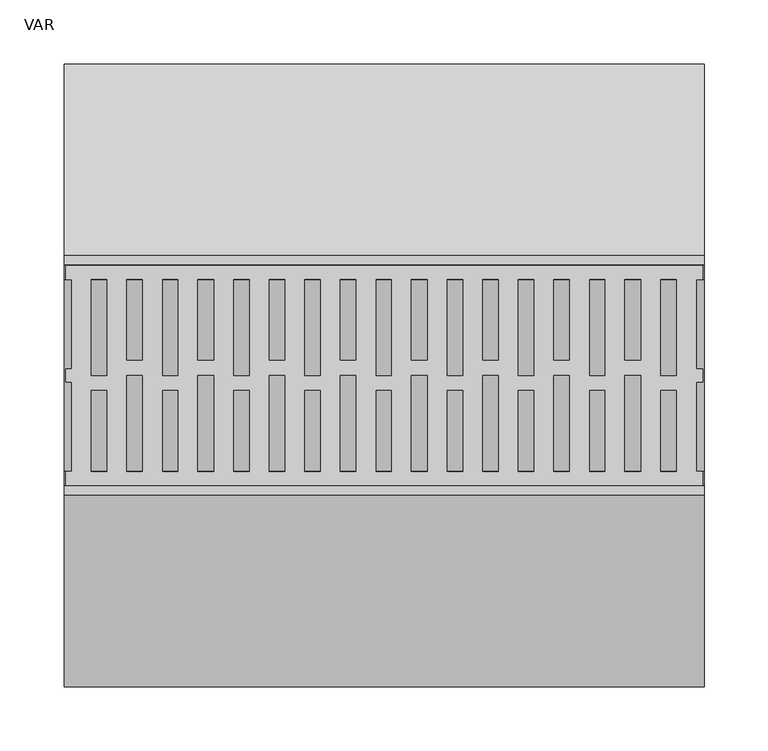
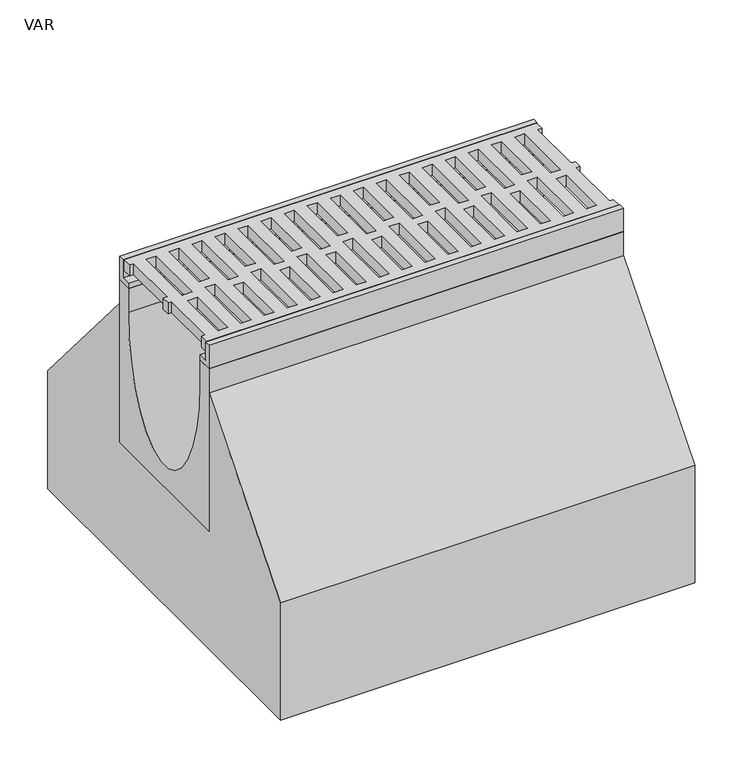
"""IFC4 building model written with IfcOpenShell, lengths in millimetres: flow terminal geometry, VAR."""

from ifc_helpers import new_model, si_unit, point, frame, origin, place, context, project, spatial, polyline, ellipse_curve, trimmed, outline, extrude, source, transform, mapped, element, save
from ifc_brep_helpers import plane_surface, extruded_surface, advanced_brep


def var_1d00fcba(model_context):
    return source(origin(), model_context, "Body", "SolidModel", [
        extrude(outline(polyline([(499.0, 75.0), (493.7871589, 75.0), (493.7871589, 5.0), (499.0, 5.0), (499.0, -5.0), (493.9604202, -5.0), (493.9604202, -75.0), (499.0, -75.0), (499.0, -86.0), (1.5, -86.0), (1.5, -75.0), (6.0847381, -75.0), (6.0847381, -5.0), (1.5, -5.0), (1.5, 5.0), (6.0847381, 5.0), (6.0847381, 75.0), (1.5, 75.0), (1.5, 86.0), (499.0, 86.0), (499.0, 75.0)]), holes=[polyline([(478.2, 75.0), (466.2429028, 75.0), (466.2429028, 0.0), (478.2, 0.0), (478.2, 75.0)]), polyline([(422.6, 75.0), (410.6429028, 75.0), (410.6429028, 0.0), (422.6, 0.0), (422.6, 75.0)]), polyline([(367.0, 75.0), (355.0429028, 75.0), (355.0429028, 0.0), (367.0, 0.0), (367.0, 75.0)]), polyline([(311.4, 75.0), (299.4429028, 75.0), (299.4429028, 0.0), (311.4, 0.0), (311.4, 75.0)]), polyline([(255.8, 75.0), (243.8429028, 75.0), (243.8429028, 0.0), (255.8, 0.0), (255.8, 75.0)]), polyline([(200.2, 75.0), (188.2429028, 75.0), (188.2429028, 0.0), (200.2, 0.0), (200.2, 75.0)]), polyline([(144.6, 75.0), (132.6429028, 75.0), (132.6429028, 0.0), (144.6, 0.0), (144.6, 75.0)]), polyline([(89.0, 75.0), (77.0429028, 75.0), (77.0429028, 0.0), (89.0, 0.0), (89.0, 75.0)]), polyline([(49.0305238, -75.0), (61.2, -75.0), (61.2, 0.0), (49.0305238, 0.0), (49.0305238, -75.0)]), polyline([(104.6305238, -75.0), (116.8, -75.0), (116.8, 0.0), (104.6305238, 0.0), (104.6305238, -75.0)]), polyline([(160.2305238, -75.0), (172.4, -75.0), (172.4, 0.0), (160.2305238, 0.0), (160.2305238, -75.0)]), polyline([(215.8305238, -75.0), (228.0, -75.0), (228.0, 0.0), (215.8305238, 0.0), (215.8305238, -75.0)]), polyline([(271.4305238, -75.0), (283.6, -75.0), (283.6, 0.0), (271.4305238, 0.0), (271.4305238, -75.0)]), polyline([(327.0305238, -75.0), (339.2, -75.0), (339.2, 0.0), (327.0305238, 0.0), (327.0305238, -75.0)]), polyline([(382.6305238, -75.0), (394.8, -75.0), (394.8, 0.0), (382.6305238, 0.0), (382.6305238, -75.0)]), polyline([(438.2305238, -75.0), (450.4, -75.0), (450.4, 0.0), (438.2305238, 0.0), (438.2305238, -75.0)]), polyline([(450.4, 75.0), (438.2305238, 75.0), (438.2305238, 11.948473), (450.4, 11.948473), (450.4, 75.0)]), polyline([(394.8, 75.0), (382.6305238, 75.0), (382.6305238, 11.948473), (394.8, 11.948473), (394.8, 75.0)]), polyline([(339.2, 75.0), (327.0305238, 75.0), (327.0305238, 11.948473), (339.2, 11.948473), (339.2, 75.0)]), polyline([(283.6, 75.0), (271.4305238, 75.0), (271.4305238, 11.948473), (283.6, 11.948473), (283.6, 75.0)]), polyline([(228.0, 75.0), (215.8305238, 75.0), (215.8305238, 11.948473), (228.0, 11.948473), (228.0, 75.0)]), polyline([(172.4, 75.0), (160.2305238, 75.0), (160.2305238, 11.948473), (172.4, 11.948473), (172.4, 75.0)]), polyline([(116.8, 75.0), (104.6305238, 75.0), (104.6305238, 11.948473), (116.8, 11.948473), (116.8, 75.0)]), polyline([(61.2, 75.0), (49.0305238, 75.0), (49.0305238, 11.948473), (61.2, 11.948473), (61.2, 75.0)]), polyline([(478.2, -75.0), (478.2, -11.948473), (466.2, -11.948473), (466.2, -75.0), (478.2, -75.0)]), polyline([(422.6, -75.0), (422.6, -11.948473), (410.6, -11.948473), (410.6, -75.0), (422.6, -75.0)]), polyline([(367.0, -75.0), (367.0, -11.948473), (355.0, -11.948473), (355.0, -75.0), (367.0, -75.0)]), polyline([(311.4, -75.0), (311.4, -11.948473), (299.4, -11.948473), (299.4, -75.0), (311.4, -75.0)]), polyline([(255.8, -75.0), (255.8, -11.948473), (243.8, -11.948473), (243.8, -75.0), (255.8, -75.0)]), polyline([(200.2, -75.0), (200.2, -11.948473), (188.2, -11.948473), (188.2, -75.0), (200.2, -75.0)]), polyline([(144.6, -75.0), (144.6, -11.948473), (132.6, -11.948473), (132.6, -75.0), (144.6, -75.0)]), polyline([(89.0, -75.0), (89.0, -11.948473), (77.0, -11.948473), (77.0, -75.0), (89.0, -75.0)]), polyline([(33.4, -75.0), (33.4, -11.948473), (21.4, -11.948473), (21.4, -75.0), (33.4, -75.0)]), polyline([(33.4, 75.0), (21.4429028, 75.0), (21.4429028, 0.0), (33.4, 0.0), (33.4, 75.0)])]), frame((0.0, 0.0, -14.0), z_axis=(0.0, 0.0, 1.0), x_axis=(1.0, 0.0, 0.0)), (0.0, 0.0, 1.0), 14.0),
        advanced_brep(
        [(0.0, 75.0, -30.0), (0.0, 93.5, -30.0), (0.0, 93.5, -237.0), (0.0, -93.5, -237.0), (0.0, -93.5, -30.0), (0.0, -75.0, -30.0), (0.0, -75.0, -60.0), (0.0, 75.0, -60.0), (500.0, 75.0, -30.0), (500.0, 75.0, -60.0), (500.0, -75.0, -60.0), (500.0, -75.0, -30.0), (500.0, -93.5, -30.0), (500.0, -93.5, -237.0), (500.0, 93.5, -237.0), (500.0, 93.5, -30.0)],
        [
            (0, 1),
            (1, 2),
            (2, 3),
            (3, 4),
            (4, 5),
            (5, 6),
            (6, 7, ellipse_curve(frame((0.0, 0.0, -60.0), z_axis=(1.0, 0.0, 0.0), x_axis=(0.0, 1.0, 0.0)), 75.0, 150.0)),
            (7, 0),
            (8, 9),
            (9, 10, ellipse_curve(frame((500.0, 0.0, -60.0), z_axis=(-1.0, 0.0, 0.0), x_axis=(0.0, 1.0, 0.0)), 75.0, 150.0)),
            (10, 11),
            (11, 12),
            (12, 13),
            (13, 14),
            (14, 15),
            (15, 8),
            (8, 0),
            (7, 9),
            (6, 10),
            (5, 11),
            (4, 12),
            (3, 13),
            (2, 14),
            (1, 15),
        ],
        [
            plane_surface(frame((0.0, 0.0, -89.25), z_axis=(-1.0, 0.0, 0.0), x_axis=(0.0, 0.0, -1.0))),
            plane_surface(frame((500.0, 0.0, -89.25), z_axis=(1.0, 0.0, 0.0), x_axis=(0.0, 0.0, -1.0))),
            plane_surface(frame((500.0, 75.0, -45.0), z_axis=(0.0, -1.0, 0.0), x_axis=(0.0, 0.0, -1.0))),
            extruded_surface(trimmed(ellipse_curve(frame((0.0, 0.0, -60.0), z_axis=(-1.0, 0.0, 0.0), x_axis=(0.0, 1.0, 0.0)), 75.0, 150.0), [point((0.0, 75.0, -60.0))], [point((0.0, -75.0, -60.0))], True, "CARTESIAN"), (500.0, 0.0, 0.0), 500.0),
            plane_surface(frame((500.0, -75.0, -45.0), z_axis=(0.0, 1.0, 0.0), x_axis=(0.0, 0.0, 1.0))),
            plane_surface(frame((500.0, -84.25, -30.0), z_axis=(0.0, 0.0, 1.0), x_axis=(0.0, -1.0, 0.0))),
            plane_surface(frame((500.0, -93.5, -133.5), z_axis=(0.0, -1.0, 0.0), x_axis=(0.0, 0.0, -1.0))),
            plane_surface(frame((500.0, 0.0, -237.0), z_axis=(0.0, 0.0, -1.0), x_axis=(0.0, 1.0, 0.0))),
            plane_surface(frame((500.0, 93.5, -133.5), z_axis=(0.0, 1.0, 0.0), x_axis=(0.0, 0.0, 1.0))),
            plane_surface(frame((500.0, 84.25, -30.0), z_axis=(0.0, 0.0, 1.0), x_axis=(0.0, -1.0, 0.0))),
        ],
        [
            (0, [[1, 2, 3, 4, 5, 6, 7, 8]]),
            (1, [[9, 10, 11, 12, 13, 14, 15, 16]]),
            (2, [[17, -8, 18, -9]]),
            (3, [[-18, -7, 19, -10]]),
            (4, [[-19, -6, 20, -11]]),
            (5, [[-20, -5, 21, -12]]),
            (6, [[-21, -4, 22, -13]]),
            (7, [[-22, -3, 23, -14]]),
            (8, [[-23, -2, 24, -15]]),
            (9, [[-24, -1, -17, -16]]),
        ],
    ),
        extrude(outline(polyline([(86.5, 0.0), (93.5, 0.0), (93.5, -30.0), (75.0, -30.0), (75.0, -23.0), (86.5, -23.0), (86.5, 0.0)])), frame((0.0, 0.0, 0.0), z_axis=(1.0, 0.0, 0.0), x_axis=(0.0, 1.0, 0.0)), (0.0, 0.0, 1.0), 500.0),
        extrude(outline(polyline([(-86.5, 0.0), (-86.5, -23.0), (-75.0, -23.0), (-75.0, -30.0), (-93.5, -30.0), (-93.5, 0.0), (-86.5, 0.0)])), frame((0.0, 0.0, 0.0), z_axis=(1.0, 0.0, 0.0), x_axis=(0.0, 1.0, 0.0)), (0.0, 0.0, 1.0), 500.0),
        extrude(outline(polyline([(93.5, -237.0), (93.5, -60.0), (243.5, -237.0), (243.5, -387.0), (-243.5, -387.0), (-243.5, -237.0), (-93.5, -60.0), (-93.5, -237.0), (93.5, -237.0)])), frame((0.0, 0.0, 0.0), z_axis=(1.0, 0.0, 0.0), x_axis=(0.0, 1.0, 0.0)), (0.0, 0.0, 1.0), 500.0),
    ])


if __name__ == "__main__":
    model = new_model("IFC4")
    model_context = context("Model", 3, world=origin())
    ifc_project = project(units=[si_unit("LENGTHUNIT", "METRE", prefix="MILLI")], contexts=[model_context])
    site = spatial("IfcSite", under=ifc_project)
    building = spatial("IfcBuilding", under=site)
    placement = place(None, origin())
    var_shape = var_1d00fcba(model_context)
    element("IfcFlowTerminal", 1, ObjectType="VAR", at=placement, inside=building, context=model_context, shape_type="MappedRepresentation", body=[
        mapped(var_shape, transform((0.0, 0.0, 0.0), x_axis=(1.0, 0.0, 0.0), y_axis=(0.0, 1.0, 0.0), z_axis=(0.0, 0.0, 1.0))),
    ])
    save(model, "model.ifc")
